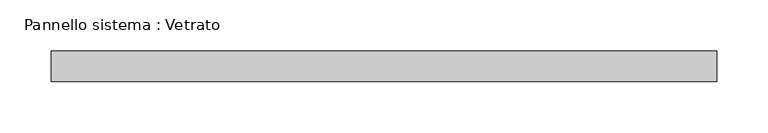
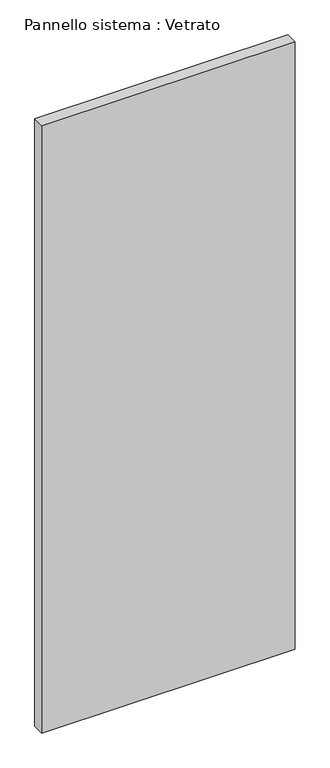
"""IFC4 building model written with IfcOpenShell, lengths in millimetres: plate geometry, Pannello sistema : Vetrato."""

from ifc_helpers import new_model, si_unit, origin, origin_with_axes, place, context, project, spatial, polyline, outline, extrude, source, transform, mapped, element, save


def pannello_sistema_vetrato_48a4b23c(model_context):
    return source(origin(), model_context, "Body", "SweptSolid", [
        extrude(outline(polyline([(325.6869066, -15.0), (-325.6869066, -15.0), (-325.6869066, 15.0), (325.6869066, 15.0), (325.6869066, -15.0)])), origin_with_axes(), (0.0, 0.0, 1.0), 1650.0),
    ])


if __name__ == "__main__":
    model = new_model("IFC4")
    model_context = context("Model", 3, world=origin())
    ifc_project = project(units=[si_unit("LENGTHUNIT", "METRE", prefix="MILLI")], contexts=[model_context])
    site = spatial("IfcSite", under=ifc_project)
    building = spatial("IfcBuilding", under=site)
    placement = place(None, origin())
    pannello_sistema_vetrato_shape = pannello_sistema_vetrato_48a4b23c(model_context)
    element("IfcPlate", 1, ObjectType="Pannello sistema : Vetrato", at=placement, inside=building, context=model_context, shape_type="MappedRepresentation", body=[
        mapped(pannello_sistema_vetrato_shape, transform((0.0, 0.0, 0.0), x_axis=(1.0, 0.0, 0.0), y_axis=(0.0, 1.0, 0.0), z_axis=(0.0, 0.0, 1.0))),
    ])
    save(model, "model.ifc")
